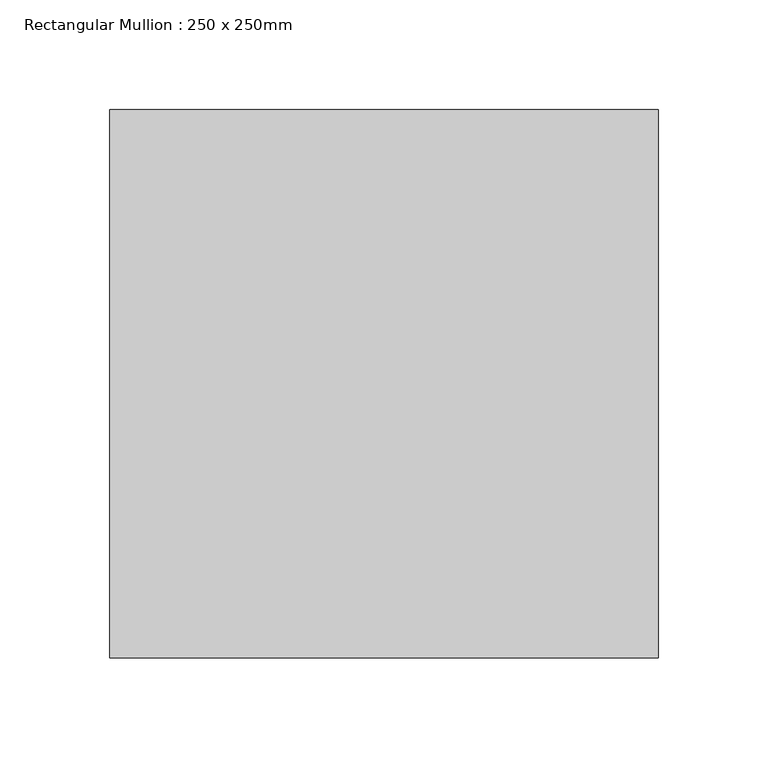
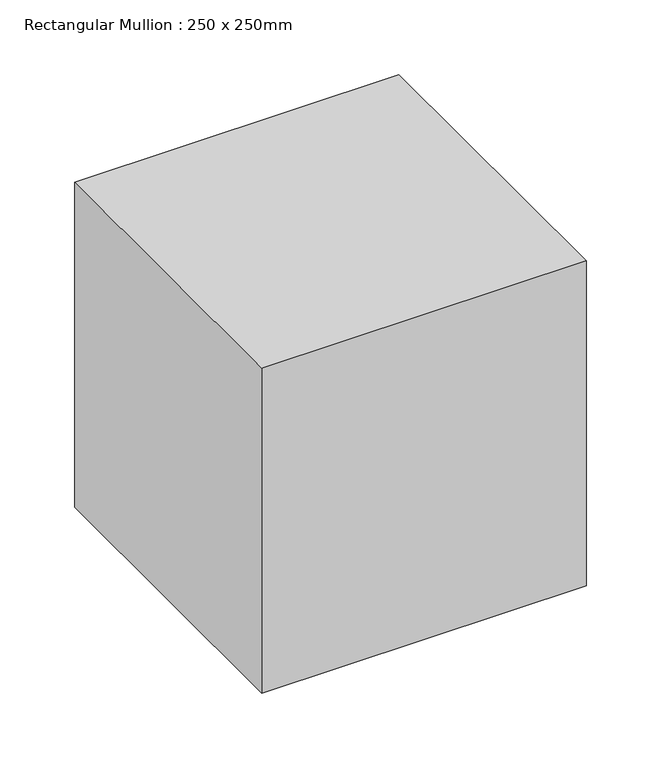
"""IFC4 building model written with IfcOpenShell, lengths in millimetres: member geometry, Rectangular Mullion : 250 x 250mm."""

from ifc_helpers import new_model, si_unit, frame, origin, place, context, project, spatial, polyline, outline, extrude, source, transform, mapped, element, save


def rectangular_mullion_250_x_250mm_7a501aa6(model_context):
    return source(origin(), model_context, "Body", "SweptSolid", [
        extrude(outline(polyline([(0.0, 125.0), (0.0, -125.0), (-250.0, -125.0), (-250.0, 125.0), (0.0, 125.0)])), frame((0.0, 0.0, -265.0287526), z_axis=(0.0, 0.0, 1.0), x_axis=(1.0, 0.0, 0.0)), (0.0, 0.0, 1.0), 265.0287526),
    ])


if __name__ == "__main__":
    model = new_model("IFC4")
    model_context = context("Model", 3, world=origin())
    ifc_project = project(units=[si_unit("LENGTHUNIT", "METRE", prefix="MILLI")], contexts=[model_context])
    site = spatial("IfcSite", under=ifc_project)
    building = spatial("IfcBuilding", under=site)
    placement = place(None, origin())
    rectangular_mullion_250_x_250mm_shape = rectangular_mullion_250_x_250mm_7a501aa6(model_context)
    element("IfcMember", 1, ObjectType="Rectangular Mullion : 250 x 250mm", at=placement, inside=building, context=model_context, shape_type="MappedRepresentation", body=[
        mapped(rectangular_mullion_250_x_250mm_shape, transform((0.0, 0.0, 0.0), x_axis=(1.0, 0.0, 0.0), y_axis=(0.0, 1.0, 0.0), z_axis=(0.0, 0.0, 1.0))),
    ])
    save(model, "model.ifc")
